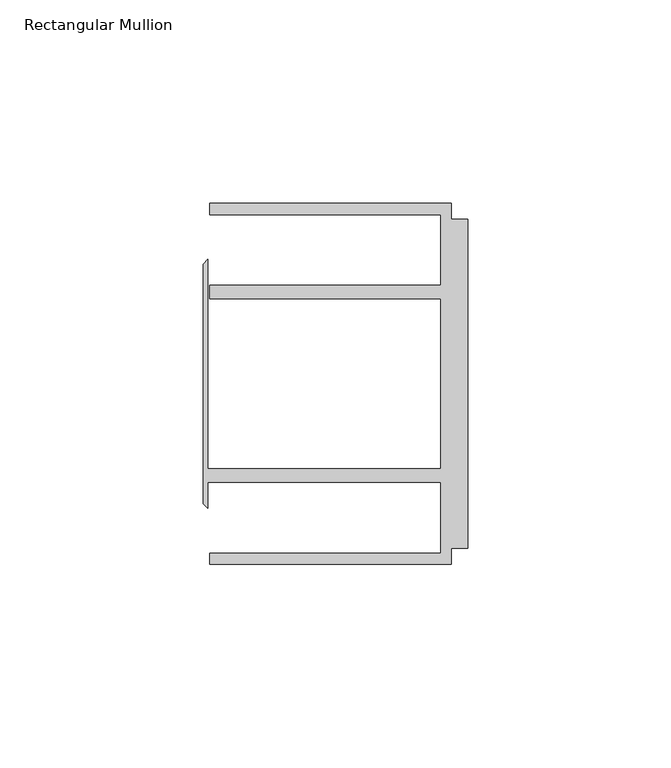
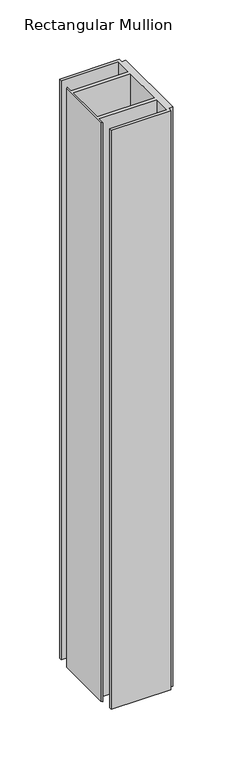
"""IFC4 building model written with IfcOpenShell, lengths in millimetres: member geometry, Rectangular Mullion."""

from ifc_helpers import new_model, si_unit, frame, origin, place, context, project, spatial, polyline, outline, extrude, source, transform, mapped, element, save


def rectangular_mullion_53b1c448(model_context):
    return source(origin(), model_context, "Body", "SweptSolid", [
        extrude(outline(polyline([(-4.0000001, 44.45), (-4.0000001, 40.4500013), (0.0, 40.4500013), (0.0, -40.4500013), (-4.0000001, -40.4500013), (-4.0000001, -44.45), (-63.5, -44.45), (-63.5, -41.6500013), (-6.6000002, -41.6500013), (-6.6000002, -24.2500008), (-63.9424102, -24.2500008), (-63.9424102, -30.6159585), (-65.0875, -29.4708687), (-65.0875, 29.4708687), (-63.9424102, 30.6159585), (-63.9424102, -20.9500007), (-6.6000002, -20.9500007), (-6.6000002, 20.9500007), (-63.5, 20.9500007), (-63.5, 24.2500008), (-6.6000002, 24.2500008), (-6.6000002, 41.6500013), (-63.5, 41.6500013), (-63.5, 44.45), (-4.0000001, 44.45)])), frame((0.0, 0.0, -609.6), z_axis=(0.0, 0.0, 1.0), x_axis=(1.0, 0.0, 0.0)), (0.0, 0.0, 1.0), 609.6),
    ])


if __name__ == "__main__":
    model = new_model("IFC4")
    model_context = context("Model", 3, world=origin())
    ifc_project = project(units=[si_unit("LENGTHUNIT", "METRE", prefix="MILLI")], contexts=[model_context])
    site = spatial("IfcSite", under=ifc_project)
    building = spatial("IfcBuilding", under=site)
    placement = place(None, origin())
    rectangular_mullion_shape = rectangular_mullion_53b1c448(model_context)
    element("IfcMember", 1, ObjectType="Rectangular Mullion", at=placement, inside=building, context=model_context, shape_type="MappedRepresentation", body=[
        mapped(rectangular_mullion_shape, transform((0.0, 0.0, 0.0), x_axis=(1.0, 0.0, 0.0), y_axis=(0.0, 1.0, 0.0), z_axis=(0.0, 0.0, 1.0))),
    ])
    save(model, "model.ifc")
